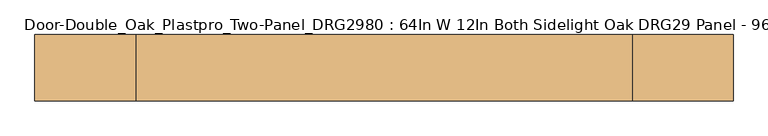
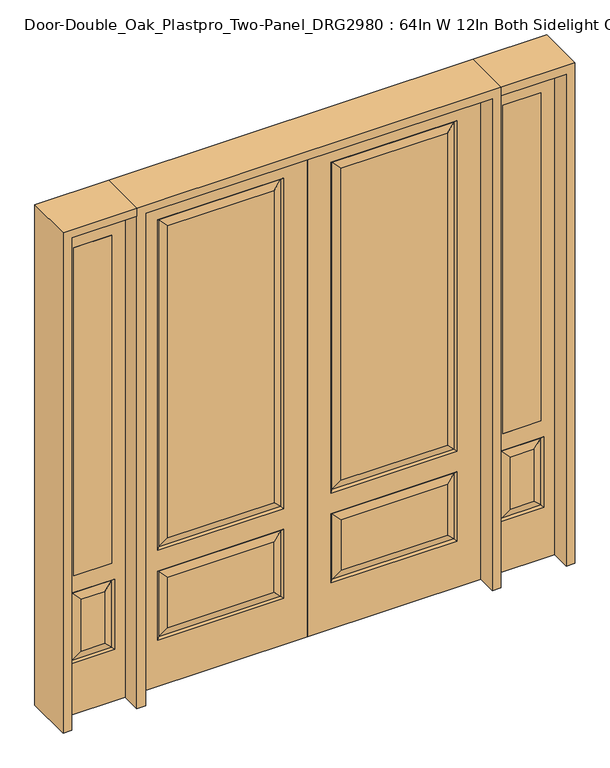
"""IFC4 building model written with IfcOpenShell, lengths in millimetres: door geometry, Door-Double_Oak_Plastpro_Two-Panel_DRG2980 : 64In W 12In Both Sidelight Oak DRG29 Panel - 96In."""

from ifc_helpers import new_model, si_unit, frame, origin, place, context, project, spatial, polyline, outline, extrude, faceted_brep, source, transform, mapped, element, save


def door_double_oak_plastpro_two_panel_drg2980_64in_w_12in_both_208402fc(model_context):
    return source(origin(), model_context, "Body", "SolidModel", [
        faceted_brep([(692.5796986, -11.6572439, 562.4046986), (120.2203014, -11.6572439, 562.4046986), (157.2775452, -20.6375, 525.3474548), (655.5224548, -20.6375, 525.3474548), (157.2775452, -20.6375, 274.7525452), (120.2203014, -11.6572439, 237.6953014), (0.0, 20.6375, 0.0), (812.8, 20.6375, 0.0), (812.8, -20.6375, 0.0), (0.0, -20.6375, 0.0), (0.0, 20.6375, 2438.4), (0.0, -20.6375, 2438.4), (812.8, -20.6375, 2438.4), (111.2400452, -20.6375, 228.7150452), (111.2400452, -20.6375, 571.3849548), (701.5599548, -20.6375, 571.3849548), (701.5599548, -20.6375, 228.7150452), (111.2400452, -20.6375, 673.2150452), (111.2400452, -20.6375, 2311.2849548), (701.5599548, -20.6375, 2311.2849548), (701.5599548, -20.6375, 673.2150452), (655.5224548, -20.6375, 274.7525452), (655.5224548, -20.6375, 719.2525452), (655.5224548, -20.6375, 2265.2474548), (157.2775452, -20.6375, 2265.2474548), (157.2775452, -20.6375, 719.2525452), (655.5224548, 20.6375, 274.7525452), (655.5224548, 20.6375, 525.3474548), (692.5796986, 11.6572439, 562.4046986), (692.5796986, 11.6572439, 237.6953014), (701.5599548, 20.6375, 571.3849548), (701.5599548, 20.6375, 228.7150452), (120.2203014, 11.6572439, 237.6953014), (120.2203014, 11.6572439, 562.4046986), (157.2775452, 20.6375, 525.3474548), (157.2775452, 20.6375, 274.7525452), (120.2203014, 11.6572439, 682.1953014), (157.2775452, 20.6375, 719.2525452), (655.5224548, 20.6375, 719.2525452), (692.5796986, 11.6572439, 682.1953014), (655.5224548, 20.6375, 2265.2474548), (692.5796986, 11.6572439, 2302.3046986), (111.2400452, 20.6375, 571.3849548), (692.5796986, -11.6572439, 237.6953014), (812.8, 20.6375, 2438.4), (111.2400452, 20.6375, 228.7150452), (701.5599548, 20.6375, 673.2150452), (701.5599548, 20.6375, 2311.2849548), (111.2400452, 20.6375, 2311.2849548), (111.2400452, 20.6375, 673.2150452), (157.2775452, 20.6375, 2265.2474548), (120.2203014, 11.6572439, 2302.3046986), (120.2203014, -11.6572439, 682.1953014), (692.5796986, -11.6572439, 682.1953014), (692.5796986, -11.6572439, 2302.3046986), (120.2203014, -11.6572439, 2302.3046986)], [[[0, 1, 2, 3]], [[4, 2, 1, 5]], [[6, 7, 8, 9]], [[10, 6, 9, 11]], [[11, 9, 8, 12], [13, 14, 15, 16], [17, 18, 19, 20]], [[21, 3, 2, 4]], [[22, 23, 24, 25]], [[26, 27, 28, 29]], [[29, 28, 30, 31]], [[32, 33, 34, 35]], [[36, 37, 38, 39]], [[38, 40, 41, 39]], [[28, 33, 42, 30]], [[16, 15, 0, 43]], [[15, 14, 1, 0]], [[12, 8, 7, 44]], [[44, 7, 6, 10], [31, 30, 42, 45], [46, 47, 48, 49]], [[37, 50, 40, 38]], [[35, 34, 27, 26]], [[10, 11, 12, 44]], [[49, 48, 51, 36]], [[29, 31, 45, 32]], [[36, 51, 50, 37]], [[45, 42, 33, 32]], [[39, 46, 49, 36]], [[39, 41, 47, 46]], [[32, 35, 26, 29]], [[27, 34, 33, 28]], [[52, 17, 20, 53]], [[20, 19, 54, 53]], [[52, 55, 18, 17]], [[53, 22, 25, 52]], [[25, 24, 55, 52]], [[53, 54, 23, 22]], [[5, 13, 16, 43]], [[5, 1, 14, 13]], [[43, 21, 4, 5]], [[43, 0, 3, 21]], [[19, 18, 55, 54]], [[54, 55, 24, 23]], [[40, 50, 51, 41]], [[41, 51, 48, 47]]]),
        faceted_brep([(-692.5796986, -11.6572439, 562.4046986), (-655.5224548, -20.6375, 525.3474548), (-157.2775452, -20.6375, 525.3474548), (-120.2203014, -11.6572439, 562.4046986), (-157.2775452, -20.6375, 274.7525452), (-120.2203014, -11.6572439, 237.6953014), (0.0, 20.6375, 0.0), (0.0, -20.6375, 0.0), (-812.8, -20.6375, 0.0), (-812.8, 20.6375, 0.0), (0.0, 20.6375, 2438.4), (0.0, -20.6375, 2438.4), (-655.5224548, -20.6375, 719.2525452), (-157.2775452, -20.6375, 719.2525452), (-157.2775452, -20.6375, 2265.2474548), (-655.5224548, -20.6375, 2265.2474548), (-812.8, -20.6375, 2438.4), (-111.2400452, -20.6375, 673.2150452), (-701.5599548, -20.6375, 673.2150452), (-701.5599548, -20.6375, 2311.2849548), (-111.2400452, -20.6375, 2311.2849548), (-111.2400452, -20.6375, 228.7150452), (-701.5599548, -20.6375, 228.7150452), (-701.5599548, -20.6375, 571.3849548), (-111.2400452, -20.6375, 571.3849548), (-655.5224548, -20.6375, 274.7525452), (-655.5224548, 20.6375, 274.7525452), (-692.5796986, 11.6572439, 237.6953014), (-692.5796986, 11.6572439, 562.4046986), (-655.5224548, 20.6375, 525.3474548), (-701.5599548, 20.6375, 228.7150452), (-701.5599548, 20.6375, 571.3849548), (-120.2203014, 11.6572439, 237.6953014), (-157.2775452, 20.6375, 274.7525452), (-157.2775452, 20.6375, 525.3474548), (-120.2203014, 11.6572439, 562.4046986), (-120.2203014, 11.6572439, 682.1953014), (-692.5796986, 11.6572439, 682.1953014), (-655.5224548, 20.6375, 719.2525452), (-157.2775452, 20.6375, 719.2525452), (-692.5796986, 11.6572439, 2302.3046986), (-655.5224548, 20.6375, 2265.2474548), (-111.2400452, 20.6375, 571.3849548), (-692.5796986, -11.6572439, 237.6953014), (-812.8, 20.6375, 2438.4), (-111.2400452, 20.6375, 228.7150452), (-701.5599548, 20.6375, 673.2150452), (-111.2400452, 20.6375, 673.2150452), (-111.2400452, 20.6375, 2311.2849548), (-701.5599548, 20.6375, 2311.2849548), (-157.2775452, 20.6375, 2265.2474548), (-120.2203014, 11.6572439, 2302.3046986), (-120.2203014, -11.6572439, 682.1953014), (-692.5796986, -11.6572439, 682.1953014), (-692.5796986, -11.6572439, 2302.3046986), (-120.2203014, -11.6572439, 2302.3046986)], [[[0, 1, 2, 3]], [[4, 5, 3, 2]], [[6, 7, 8, 9]], [[10, 11, 7, 6]], [[12, 13, 14, 15]], [[11, 16, 8, 7], [17, 18, 19, 20], [21, 22, 23, 24]], [[25, 4, 2, 1]], [[26, 27, 28, 29]], [[27, 30, 31, 28]], [[32, 33, 34, 35]], [[36, 37, 38, 39]], [[38, 37, 40, 41]], [[28, 31, 42, 35]], [[22, 43, 0, 23]], [[23, 0, 3, 24]], [[16, 44, 9, 8]], [[33, 26, 29, 34]], [[44, 10, 6, 9], [30, 45, 42, 31], [46, 47, 48, 49]], [[39, 38, 41, 50]], [[10, 44, 16, 11]], [[47, 36, 51, 48]], [[27, 32, 45, 30]], [[36, 39, 50, 51]], [[45, 32, 35, 42]], [[37, 36, 47, 46]], [[37, 46, 49, 40]], [[32, 27, 26, 33]], [[29, 28, 35, 34]], [[52, 53, 18, 17]], [[18, 53, 54, 19]], [[52, 17, 20, 55]], [[53, 52, 13, 12]], [[13, 52, 55, 14]], [[53, 12, 15, 54]], [[5, 43, 22, 21]], [[5, 21, 24, 3]], [[43, 5, 4, 25]], [[43, 25, 1, 0]], [[19, 54, 55, 20]], [[54, 15, 14, 55]], [[41, 40, 51, 50]], [[40, 49, 48, 51]]]),
        extrude(outline(polyline([(1095.375, -20.6375), (917.575, -20.6375), (917.575, 20.6375), (1095.375, 20.6375), (1095.375, -20.6375)])), frame((0.0, 0.0, 685.8), z_axis=(0.0, 0.0, 1.0), x_axis=(1.0, 0.0, 0.0)), (0.0, 0.0, 1.0), 1625.6),
        faceted_brep([(1095.375, -20.6375, 2311.4), (917.575, -20.6375, 2311.4), (917.575, 20.6375, 2311.4), (1095.375, 20.6375, 2311.4), (1061.9224548, -20.6375, 557.0974548), (951.0275452, -20.6375, 557.0974548), (951.0275452, -20.6375, 300.1525452), (1061.9224548, -20.6375, 300.1525452), (854.075, -20.6375, 2438.4), (854.075, -20.6375, 0.0), (1158.875, -20.6375, 0.0), (1158.875, -20.6375, 2438.4), (1095.375, -20.6375, 685.8), (917.575, -20.6375, 685.8), (1107.9599548, -20.6375, 254.1150452), (904.9900452, -20.6375, 254.1150452), (904.9900452, -20.6375, 603.1349548), (1107.9599548, -20.6375, 603.1349548), (1098.9796986, 11.6572439, 594.1546986), (1107.9599548, 20.6375, 603.1349548), (1107.9599548, 20.6375, 254.1150452), (1098.9796986, 11.6572439, 263.0953014), (913.9703014, 11.6572439, 594.1546986), (904.9900452, 20.6375, 603.1349548), (1061.9224548, 20.6375, 300.1525452), (1061.9224548, 20.6375, 557.0974548), (1095.375, 20.6375, 685.8), (917.575, 20.6375, 685.8), (913.9703014, -11.6572439, 263.0953014), (1098.9796986, -11.6572439, 263.0953014), (913.9703014, -11.6572439, 594.1546986), (1098.9796986, -11.6572439, 594.1546986), (854.075, 20.6375, 2438.4), (1158.875, 20.6375, 2438.4), (854.075, 20.6375, 0.0), (1158.875, 20.6375, 0.0), (904.9900452, 20.6375, 254.1150452), (951.0275452, 20.6375, 300.1525452), (951.0275452, 20.6375, 557.0974548), (913.9703014, 11.6572439, 263.0953014)], [[[0, 1, 2, 3]], [[4, 5, 6, 7]], [[8, 9, 10, 11], [0, 12, 13, 1], [14, 15, 16, 17]], [[18, 19, 20, 21]], [[18, 22, 23, 19]], [[21, 24, 25, 18]], [[26, 27, 13, 12]], [[7, 6, 28, 29]], [[6, 5, 30, 28]], [[29, 14, 17, 31]], [[32, 8, 11, 33]], [[34, 35, 10, 9]], [[32, 34, 9, 8]], [[11, 10, 35, 33]], [[33, 35, 34, 32], [19, 23, 36, 20], [2, 27, 26, 3]], [[24, 37, 38, 25]], [[20, 36, 39, 21]], [[36, 23, 22, 39]], [[25, 38, 22, 18]], [[39, 22, 38, 37]], [[21, 39, 37, 24]], [[3, 26, 12, 0]], [[1, 13, 27, 2]], [[31, 4, 7, 29]], [[31, 30, 5, 4]], [[17, 16, 30, 31]], [[28, 30, 16, 15]], [[29, 28, 15, 14]]]),
        extrude(outline(polyline([(-1095.375, -20.6375), (-1095.375, 20.6375), (-917.575, 20.6375), (-917.575, -20.6375), (-1095.375, -20.6375)])), frame((0.0, 0.0, 685.8), z_axis=(0.0, 0.0, 1.0), x_axis=(1.0, 0.0, 0.0)), (0.0, 0.0, 1.0), 1625.6),
        faceted_brep([(-1095.375, -20.6375, 2311.4), (-1095.375, 20.6375, 2311.4), (-917.575, 20.6375, 2311.4), (-917.575, -20.6375, 2311.4), (-1061.9224548, -20.6375, 557.0974548), (-1061.9224548, -20.6375, 300.1525452), (-951.0275452, -20.6375, 300.1525452), (-951.0275452, -20.6375, 557.0974548), (-854.075, -20.6375, 2438.4), (-1158.875, -20.6375, 2438.4), (-1158.875, -20.6375, 0.0), (-854.075, -20.6375, 0.0), (-1107.9599548, -20.6375, 254.1150452), (-1107.9599548, -20.6375, 603.1349548), (-904.9900452, -20.6375, 603.1349548), (-904.9900452, -20.6375, 254.1150452), (-917.575, -20.6375, 685.8), (-1095.375, -20.6375, 685.8), (-1098.9796986, 11.6572439, 594.1546986), (-1098.9796986, 11.6572439, 263.0953014), (-1107.9599548, 20.6375, 254.1150452), (-1107.9599548, 20.6375, 603.1349548), (-904.9900452, 20.6375, 603.1349548), (-913.9703014, 11.6572439, 594.1546986), (-1061.9224548, 20.6375, 557.0974548), (-1061.9224548, 20.6375, 300.1525452), (-1095.375, 20.6375, 685.8), (-917.575, 20.6375, 685.8), (-1098.9796986, -11.6572439, 263.0953014), (-913.9703014, -11.6572439, 263.0953014), (-913.9703014, -11.6572439, 594.1546986), (-1098.9796986, -11.6572439, 594.1546986), (-854.075, 20.6375, 2438.4), (-1158.875, 20.6375, 2438.4), (-854.075, 20.6375, 0.0), (-1158.875, 20.6375, 0.0), (-904.9900452, 20.6375, 254.1150452), (-951.0275452, 20.6375, 557.0974548), (-951.0275452, 20.6375, 300.1525452), (-913.9703014, 11.6572439, 263.0953014)], [[[0, 1, 2, 3]], [[4, 5, 6, 7]], [[8, 9, 10, 11], [12, 13, 14, 15], [0, 3, 16, 17]], [[18, 19, 20, 21]], [[18, 21, 22, 23]], [[19, 18, 24, 25]], [[26, 17, 16, 27]], [[5, 28, 29, 6]], [[6, 29, 30, 7]], [[28, 31, 13, 12]], [[32, 33, 9, 8]], [[34, 11, 10, 35]], [[32, 8, 11, 34]], [[9, 33, 35, 10]], [[33, 32, 34, 35], [21, 20, 36, 22], [2, 1, 26, 27]], [[25, 24, 37, 38]], [[20, 19, 39, 36]], [[36, 39, 23, 22]], [[24, 18, 23, 37]], [[39, 38, 37, 23]], [[19, 25, 38, 39]], [[1, 0, 17, 26]], [[3, 2, 27, 16]], [[31, 28, 5, 4]], [[31, 4, 7, 30]], [[13, 31, 30, 14]], [[29, 15, 14, 30]], [[28, 12, 15, 29]]]),
        extrude(outline(polyline([(2438.4, -854.075), (2479.675, -854.075), (2479.675, -1200.15), (0.0, -1200.15), (0.0, -1158.875), (2438.4, -1158.875), (2438.4, -854.075)])), frame((0.0, -114.3, 0.0), z_axis=(0.0, 1.0, 0.0), x_axis=(0.0, 0.0, 1.0)), (0.0, 0.0, 1.0), 228.6),
        extrude(outline(polyline([(2479.675, -854.075), (0.0, -854.075), (0.0, -812.8), (2438.4, -812.8), (2438.4, 812.8), (0.0, 812.8), (0.0, 854.075), (2479.675, 854.075), (2479.675, -854.075)])), frame((0.0, -114.3, 0.0), z_axis=(0.0, 1.0, 0.0), x_axis=(0.0, 0.0, 1.0)), (0.0, 0.0, 1.0), 228.6),
        extrude(outline(polyline([(0.0, 1158.875), (0.0, 1200.15), (2479.675, 1200.15), (2479.675, 854.075), (2438.4, 854.075), (2438.4, 1158.875), (0.0, 1158.875)])), frame((0.0, -114.3, 0.0), z_axis=(0.0, 1.0, 0.0), x_axis=(0.0, 0.0, 1.0)), (0.0, 0.0, 1.0), 228.6),
    ])


if __name__ == "__main__":
    model = new_model("IFC4")
    model_context = context("Model", 3, world=origin())
    ifc_project = project(units=[si_unit("LENGTHUNIT", "METRE", prefix="MILLI")], contexts=[model_context])
    site = spatial("IfcSite", under=ifc_project)
    building = spatial("IfcBuilding", under=site)
    placement = place(None, origin())
    door_double_oak_plastpro_two_panel_drg2980_64in_w_12in_both_shape = door_double_oak_plastpro_two_panel_drg2980_64in_w_12in_both_208402fc(model_context)
    element("IfcDoor", 1, ObjectType="Door-Double_Oak_Plastpro_Two-Panel_DRG2980 : 64In W 12In Both Sidelight Oak DRG29 Panel - 96In", at=placement, inside=building, context=model_context, shape_type="MappedRepresentation", body=[
        mapped(door_double_oak_plastpro_two_panel_drg2980_64in_w_12in_both_shape, transform((0.0, 0.0, 0.0), x_axis=(1.0, 0.0, 0.0), y_axis=(0.0, 1.0, 0.0), z_axis=(0.0, 0.0, 1.0))),
    ])
    save(model, "model.ifc")
